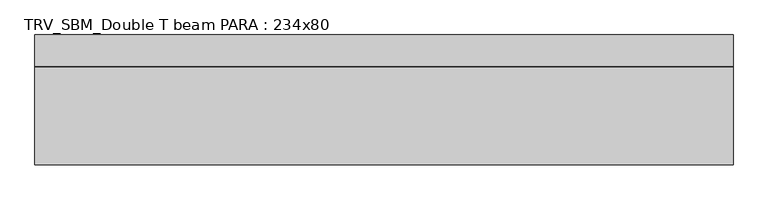
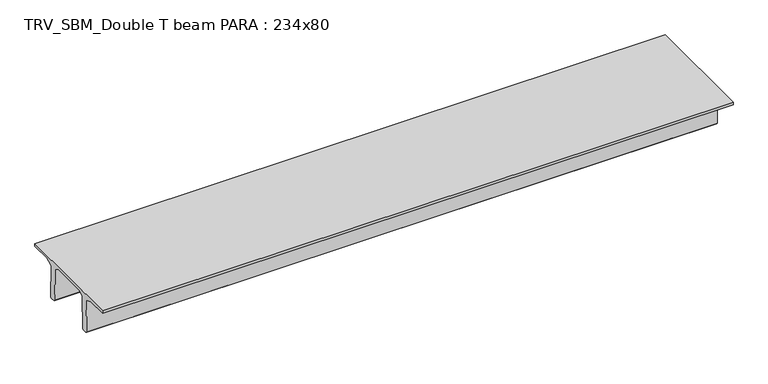
"""IFC4 building model written with IfcOpenShell, lengths in millimetres: beam geometry, TRV_SBM_Double T beam PARA : 234x80."""

from ifc_helpers import new_model, si_unit, frame, origin, place, context, project, spatial, polyline, outline, extrude, source, transform, mapped, element, save


def trv_sbm_double_t_beam_para_234x80_80191799(model_context):
    return source(origin(), model_context, "Body", "SweptSolid", [
        extrude(outline(polyline([(352.1399239, 205.988519), (-382.1399239, 205.988519), (-485.0, 144.18395), (-501.9262559, -520.5206011), (-521.4056548, -540.0), (-611.4056548, -540.0), (-631.9887932, -520.5206011), (-615.2025683, 140.6523122), (-776.9153545, 205.988519), (-1185.0, 205.988519), (-1185.0, 260.0), (1155.0, 260.0), (1155.0, 205.988519), (746.9153545, 205.988519), (585.2025683, 140.6523122), (601.9887932, -520.5206011), (581.4056548, -540.0), (491.4056548, -540.0), (471.9262559, -520.5206011), (455.0, 144.18395), (352.1399239, 205.988519)])), frame((-6315.0, 0.0, 0.0), z_axis=(1.0, 0.0, 0.0), x_axis=(0.0, 1.0, 0.0)), (0.0, 0.0, 1.0), 12585.9062685),
    ])


if __name__ == "__main__":
    model = new_model("IFC4")
    model_context = context("Model", 3, world=origin())
    ifc_project = project(units=[si_unit("LENGTHUNIT", "METRE", prefix="MILLI")], contexts=[model_context])
    site = spatial("IfcSite", under=ifc_project)
    building = spatial("IfcBuilding", under=site)
    placement = place(None, origin())
    trv_sbm_double_t_beam_para_234x80_shape = trv_sbm_double_t_beam_para_234x80_80191799(model_context)
    element("IfcBeam", 1, ObjectType="TRV_SBM_Double T beam PARA : 234x80", at=placement, inside=building, context=model_context, shape_type="MappedRepresentation", body=[
        mapped(trv_sbm_double_t_beam_para_234x80_shape, transform((0.0, 0.0, 0.0), x_axis=(1.0, 0.0, 0.0), y_axis=(0.0, 1.0, 0.0), z_axis=(0.0, 0.0, 1.0))),
    ])
    save(model, "model.ifc")
